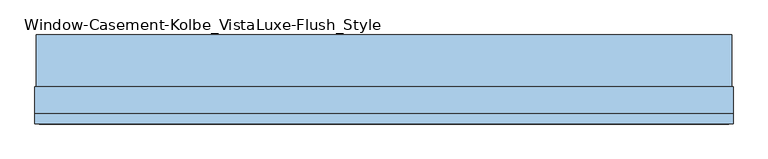
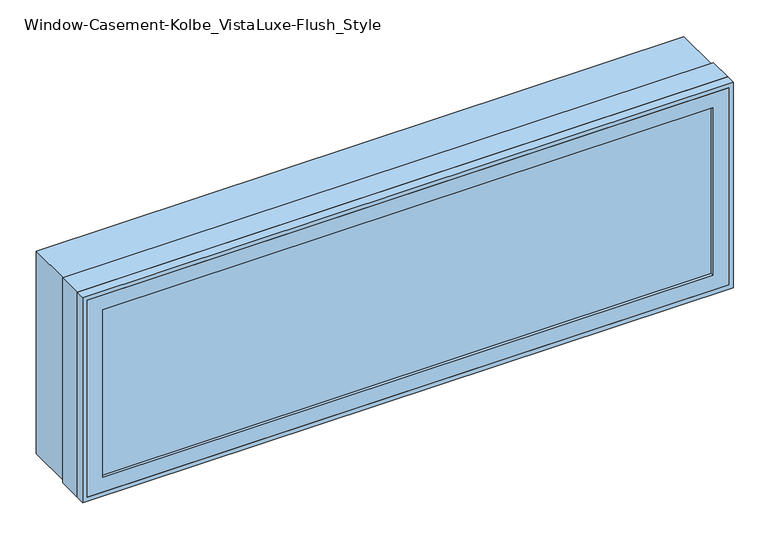
"""IFC4 building model written with IfcOpenShell, lengths in millimetres: window geometry, Window-Casement-Kolbe_VistaLuxe-Flush_Style."""

from ifc_helpers import new_model, si_unit, frame, origin, place, context, project, spatial, polyline, outline, extrude, faceted_brep, source, transform, mapped, element, save


def window_casement_kolbe_vistaluxe_flush_style_8833dce5(model_context):
    return source(origin(), model_context, "Body", "SolidModel", [
        faceted_brep([(-863.6696599, -121.37898, 970.676875), (-863.6696599, -129.31648, 970.676875), (852.5765901, -129.31648, 970.676875), (852.5765901, -121.37898, 970.676875), (-879.5446599, -99.12858, 954.801875), (-879.5446599, -121.37898, 954.801875), (868.4515901, -121.37898, 954.801875), (868.4515901, -99.12858, 954.801875), (-863.6696599, -80.10398, 970.676875), (-863.6696599, -99.12858, 970.676875), (852.5765901, -99.12858, 970.676875), (852.5765901, -80.10398, 970.676875), (-908.1196599, -129.31648, 926.226875), (-908.1196599, -80.10398, 926.226875), (897.0265901, -80.10398, 926.226875), (897.0265901, -129.31648, 926.226875), (852.5765901, -129.31648, 1467.723125), (852.5765901, -121.37898, 1467.723125), (868.4515901, -121.37898, 1483.598125), (868.4515901, -99.12858, 1483.598125), (852.5765901, -99.12858, 1467.723125), (852.5765901, -80.10398, 1467.723125), (897.0265901, -80.10398, 1512.173125), (897.0265901, -129.31648, 1512.173125), (-863.6696599, -129.31648, 1467.723125), (-863.6696599, -121.37898, 1467.723125), (-879.5446599, -121.37898, 1483.598125), (-879.5446599, -99.12858, 1483.598125), (-863.6696599, -99.12858, 1467.723125), (-863.6696599, -80.10398, 1467.723125), (-908.1196599, -80.10398, 1512.173125), (-908.1196599, -129.31648, 1512.173125)], [[[0, 1, 2, 3]], [[4, 5, 6, 7]], [[8, 9, 10, 11]], [[12, 13, 14, 15]], [[3, 2, 16, 17]], [[7, 6, 18, 19]], [[11, 10, 20, 21]], [[15, 14, 22, 23]], [[17, 16, 24, 25]], [[19, 18, 26, 27]], [[21, 20, 28, 29]], [[23, 22, 30, 31]], [[25, 24, 1, 0]], [[5, 26, 18, 6], [3, 17, 25, 0]], [[27, 26, 5, 4]], [[7, 19, 27, 4], [9, 28, 20, 10]], [[29, 28, 9, 8]], [[13, 30, 22, 14], [11, 21, 29, 8]], [[31, 30, 13, 12]], [[15, 23, 31, 12], [1, 24, 16, 2]]]),
        extrude(outline(polyline([(1520.4186, 905.2720651), (1520.4186, -916.3651349), (917.9814, -916.3651349), (917.9814, 905.2720651), (1520.4186, 905.2720651)]), holes=[polyline([(936.545625, 886.7078401), (936.545625, -897.8009099), (1501.854375, -897.8009099), (1501.854375, 886.7078401), (936.545625, 886.7078401)])]), frame((0.0, -32.5247, 0.0), z_axis=(0.0, 1.0, 0.0), x_axis=(0.0, 0.0, 1.0)), (0.0, 0.0, 1.0), 135.7122),
        extrude(outline(polyline([(1524.0, -919.9465349), (914.4, -919.9465349), (914.4, 908.8534651), (1524.0, 908.8534651), (1524.0, -919.9465349)]), holes=[polyline([(1512.173125, 897.0265901), (926.226875, 897.0265901), (926.226875, -908.1196599), (1512.173125, -908.1196599), (1512.173125, 897.0265901)])]), frame((0.0, -130.1115, 0.0), z_axis=(0.0, 1.0, 0.0), x_axis=(0.0, 0.0, 1.0)), (0.0, 0.0, 1.0), 26.924),
        faceted_brep([(908.8534651, -32.5247, 914.4), (908.8534651, -103.1875, 914.4), (-919.9465349, -103.1875, 914.4), (-919.9465349, -32.5247, 914.4), (886.7078401, -80.10525, 936.545625), (886.7078401, -32.5247, 936.545625), (-897.8009099, -32.5247, 936.545625), (-897.8009099, -80.10525, 936.545625), (897.0265901, -103.1875, 926.226875), (897.0265901, -80.10525, 926.226875), (-908.1196599, -80.10525, 926.226875), (-908.1196599, -103.1875, 926.226875), (-919.9465349, -103.1875, 1524.0), (-919.9465349, -32.5247, 1524.0), (-897.8009099, -32.5247, 1501.854375), (-897.8009099, -80.10525, 1501.854375), (-908.1196599, -80.10525, 1512.173125), (-908.1196599, -103.1875, 1512.173125), (908.8534651, -103.1875, 1524.0), (908.8534651, -32.5247, 1524.0), (886.7078401, -32.5247, 1501.854375), (886.7078401, -80.10525, 1501.854375), (897.0265901, -80.10525, 1512.173125), (897.0265901, -103.1875, 1512.173125)], [[[0, 1, 2, 3]], [[4, 5, 6, 7]], [[8, 9, 10, 11]], [[3, 2, 12, 13]], [[7, 6, 14, 15]], [[11, 10, 16, 17]], [[13, 12, 18, 19]], [[15, 14, 20, 21]], [[17, 16, 22, 23]], [[19, 18, 1, 0]], [[3, 13, 19, 0], [5, 20, 14, 6]], [[21, 20, 5, 4]], [[9, 22, 16, 10], [7, 15, 21, 4]], [[23, 22, 9, 8]], [[1, 18, 12, 2], [11, 17, 23, 8]]]),
        extrude(outline(polyline([(865.2765901, -102.30358), (-876.3696599, -102.30358), (-876.3696599, -99.12858), (865.2765901, -99.12858), (865.2765901, -102.30358)])), frame((0.0, 0.0, 957.976875), z_axis=(0.0, 0.0, 1.0), x_axis=(1.0, 0.0, 0.0)), (0.0, 0.0, 1.0), 522.44625),
        extrude(outline(polyline([(865.2765901, -118.20398), (865.2765901, -121.37898), (-876.3696599, -121.37898), (-876.3696599, -118.20398), (865.2765901, -118.20398)])), frame((0.0, 0.0, 957.976875), z_axis=(0.0, 0.0, 1.0), x_axis=(1.0, 0.0, 0.0)), (0.0, 0.0, 1.0), 522.44625),
        extrude(outline(polyline([(936.545625, 886.7078401), (1501.854375, 886.7078401), (1501.854375, -897.8009099), (936.545625, -897.8009099), (936.545625, 886.7078401)]), holes=[polyline([(954.801875, -879.5446599), (1483.598125, -879.5446599), (1483.598125, 868.4515901), (954.801875, 868.4515901), (954.801875, -879.5446599)])]), frame((0.0, -80.10525, 0.0), z_axis=(0.0, 1.0, 0.0), x_axis=(0.0, 0.0, 1.0)), (0.0, 0.0, 1.0), 50.8),
    ])


if __name__ == "__main__":
    model = new_model("IFC4")
    model_context = context("Model", 3, world=origin())
    ifc_project = project(units=[si_unit("LENGTHUNIT", "METRE", prefix="MILLI")], contexts=[model_context])
    site = spatial("IfcSite", under=ifc_project)
    building = spatial("IfcBuilding", under=site)
    placement = place(None, origin())
    window_casement_kolbe_vistaluxe_flush_style_shape = window_casement_kolbe_vistaluxe_flush_style_8833dce5(model_context)
    element("IfcWindow", 1, ObjectType="Window-Casement-Kolbe_VistaLuxe-Flush_Style", at=placement, inside=building, context=model_context, shape_type="MappedRepresentation", body=[
        mapped(window_casement_kolbe_vistaluxe_flush_style_shape, transform((0.0, 0.0, 0.0), x_axis=(1.0, 0.0, 0.0), y_axis=(0.0, 1.0, 0.0), z_axis=(0.0, 0.0, 1.0))),
    ])
    save(model, "model.ifc")
